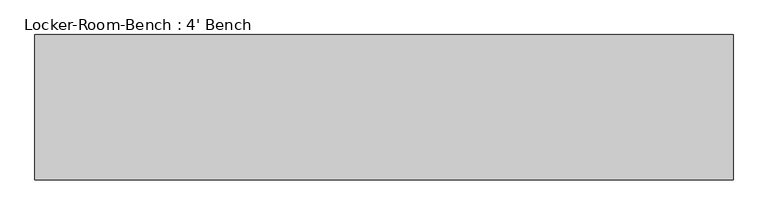
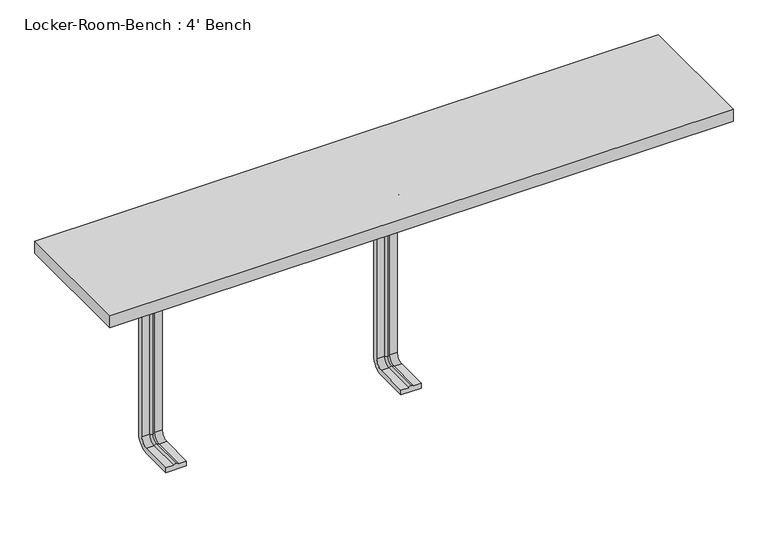
"""IFC4 building model written with IfcOpenShell, lengths in millimetres: furniture geometry, Locker-Room-Bench : 4' Bench."""

import ifcopenshell
import ifcopenshell.guid

model = None  # the IFC model being written
_history = None  # IfcOwnerHistory: only IFC2X3 demands one
_inside = {}  # id of a spatial element -> (the spatial element, [elements in it])
_under = {}  # id of a project, library or spatial element -> (it, [spatial elements below it])
_declared = {}  # id of a project -> (the project, [libraries it declares])
_typed = {}  # id of a type object -> (the type object, [elements of that type])
_made_of = {}  # id of a material, layer set ... -> (it, [elements and type objects made of it])


def new_model(schema):
    """Start an empty IFC model of exactly this schema.

    Asked for "IFC4X3", IfcOpenShell would pick the latest addendum, in which some entities
    have other attributes; the version numbers below select the first issue.
    IFC2X3 requires an IfcOwnerHistory on every rooted entity: one is made here for all.
    """
    global model, _history
    if schema == "IFC4X3":
        model = ifcopenshell.file(schema_version=(4, 3, 0, 0))
    else:
        model = ifcopenshell.file(schema=schema)
    _inside.clear()
    _under.clear()
    _declared.clear()
    _typed.clear()
    _made_of.clear()
    _history = None
    if model.schema == "IFC2X3":
        org = make("IfcOrganization", Name="unknown")
        user = make(
            "IfcPersonAndOrganization",
            ThePerson=make("IfcPerson", FamilyName="unknown"),
            TheOrganization=org,
        )
        app = make(
            "IfcApplication",
            ApplicationDeveloper=org,
            Version="unknown",
            ApplicationFullName="unknown",
            ApplicationIdentifier="unknown",
        )
        _history = make(
            "IfcOwnerHistory",
            OwningUser=user,
            OwningApplication=app,
            ChangeAction="ADDED",
            CreationDate=0,
        )
    return model


def make(cls, **values):
    """One entity of the class cls with the attributes given. An attribute that is None is left unset."""
    return model.create_entity(
        cls, **{name: value for name, value in values.items() if value is not None}
    )


def rooted(cls, **values):
    """An entity with a GlobalId (a new one), such as an element, a storey or a relation."""
    return make(cls, GlobalId=ifcopenshell.guid.new(), OwnerHistory=_history, **values)


def si_unit(unit_type, name, prefix=None):
    """IfcSIUnit, for example si_unit("LENGTHUNIT", "METRE", prefix="MILLI")."""
    return make("IfcSIUnit", UnitType=unit_type, Prefix=prefix, Name=name)


def assignment(units):
    """IfcUnitAssignment: the units of a project."""
    return None if units is None else make("IfcUnitAssignment", Units=units)


def point(xyz):
    """IfcCartesianPoint."""
    return None if xyz is None else make("IfcCartesianPoint", Coordinates=xyz)


def direction(xyz):
    """IfcDirection."""
    return None if xyz is None else make("IfcDirection", DirectionRatios=xyz)


def frame(location, z_axis=None, x_axis=None):
    """IfcAxis2Placement3D, a coordinate frame: its origin and axes. An axis left out is left unset."""
    return make(
        "IfcAxis2Placement3D",
        Location=point(location),
        Axis=direction(z_axis),
        RefDirection=direction(x_axis),
    )


def origin():
    """The frame at (0, 0, 0) with its axes left unset."""
    return frame((0.0, 0.0, 0.0))


def place(relative_to, where):
    """IfcLocalPlacement: puts the frame where relative to a parent placement (None: the world)."""
    return make(
        "IfcLocalPlacement", PlacementRelTo=relative_to, RelativePlacement=where
    )


def context(
    kind, dimensions, precision=None, world=None, true_north=None, identifier=None
):
    """IfcGeometricRepresentationContext, for example the 3D "Model" context."""
    return make(
        "IfcGeometricRepresentationContext",
        ContextIdentifier=identifier,
        ContextType=kind,
        CoordinateSpaceDimension=dimensions,
        Precision=precision,
        WorldCoordinateSystem=world,
        TrueNorth=true_north,
    )


def project(units=None, contexts=None):
    """IfcProject with its units and contexts."""
    return rooted(
        "IfcProject",
        Name="project",
        RepresentationContexts=contexts,
        UnitsInContext=assignment(units),
    )


def spatial(cls, under=None, at=None, **own):
    """A site, building, storey or space (cls), placed at a placement, below another one or the project."""
    s = rooted(cls, ObjectPlacement=at, **own)
    if under is not None:
        _under.setdefault(under.id(), (under, []))[1].append(s)
    return s


def polyline(points):
    """IfcPolyline through the points."""
    return make("IfcPolyline", Points=[point(p) for p in points])


def circle_curve(where, radius):
    """IfcCircle in the frame where."""
    return make("IfcCircle", Position=where, Radius=radius)


def ellipse_curve(where, semi_axis1, semi_axis2):
    """IfcEllipse in the frame where."""
    return make(
        "IfcEllipse", Position=where, SemiAxis1=semi_axis1, SemiAxis2=semi_axis2
    )


def trimmed(basis, trim1, trim2, sense, master):
    """IfcTrimmedCurve: the piece of a basis curve between two trims."""
    return make(
        "IfcTrimmedCurve",
        BasisCurve=basis,
        Trim1=trim1,
        Trim2=trim2,
        SenseAgreement=sense,
        MasterRepresentation=master,
    )


def outline(outer, holes=None, kind="AREA"):
    """IfcArbitraryClosedProfileDef: a profile drawn as a closed curve; with holes, ...WithVoids."""
    if holes is None:
        return make("IfcArbitraryClosedProfileDef", ProfileType=kind, OuterCurve=outer)
    return make(
        "IfcArbitraryProfileDefWithVoids",
        ProfileType=kind,
        OuterCurve=outer,
        InnerCurves=holes,
    )


def extrude(swept, where, along, depth):
    """IfcExtrudedAreaSolid: the profile swept, set in the frame where, extruded along a direction by depth."""
    return make(
        "IfcExtrudedAreaSolid",
        SweptArea=swept,
        Position=where,
        ExtrudedDirection=direction(along),
        Depth=depth,
    )


def shape(context_of_items, identifier, shape_type, items):
    """IfcShapeRepresentation: the items that make up one representation, for example the "Body"."""
    return make(
        "IfcShapeRepresentation",
        ContextOfItems=context_of_items,
        RepresentationIdentifier=identifier,
        RepresentationType=shape_type,
        Items=items,
    )


def source(mapping_origin, context_of_items, identifier, shape_type, items):
    """IfcRepresentationMap: a shape defined once, which mapped items show again and again."""
    return make(
        "IfcRepresentationMap",
        MappingOrigin=mapping_origin,
        MappedRepresentation=shape(context_of_items, identifier, shape_type, items),
    )


def transform(
    local_origin,
    x_axis=None,
    y_axis=None,
    z_axis=None,
    scale=None,
    scale2=None,
    scale3=None,
    uniform=True,
):
    """IfcCartesianTransformationOperator3D, or its non-uniform kind. x_axis, y_axis, z_axis: its Axis1, 2, 3."""
    if uniform:
        return make(
            "IfcCartesianTransformationOperator3D",
            Axis1=direction(x_axis),
            Axis2=direction(y_axis),
            LocalOrigin=point(local_origin),
            Scale=scale,
            Axis3=direction(z_axis),
        )
    return make(
        "IfcCartesianTransformationOperator3DnonUniform",
        Axis1=direction(x_axis),
        Axis2=direction(y_axis),
        LocalOrigin=point(local_origin),
        Scale=scale,
        Axis3=direction(z_axis),
        Scale2=scale2,
        Scale3=scale3,
    )


def mapped(mapping_source, mapping_target):
    """IfcMappedItem: shows the shape of a source again, moved by a transform."""
    return make(
        "IfcMappedItem", MappingSource=mapping_source, MappingTarget=mapping_target
    )


def made_of(thing, what):
    """Note that an element or type object is made of a material, layer set ...; save() writes the relation."""
    if what is not None:
        _made_of.setdefault(what.id(), (what, []))[1].append(thing)
    return thing


def element(
    cls,
    number,
    at=None,
    inside=None,
    cuts=None,
    type_object=None,
    material=None,
    context=None,
    identifier="Body",
    shape_type=None,
    held_by="IfcProductDefinitionShape",
    body=None,
    shapes=None,
    **own,
):
    """One element of the class cls, such as IfcWall. Its Tag is "e" and its number.

    at: its placement. inside: the storey or other place that contains it. cuts: it is an
    opening in that element (IfcRelVoidsElement). A single representation is given by context,
    identifier, shape_type and body (its items); several are given by shapes. held_by: the class
    of the entity that holds the representations. save() writes the other relations.
    """
    e = rooted(cls, Tag="e%d" % number, ObjectPlacement=at, **own)
    if body is not None:
        shapes = [shape(context, identifier, shape_type, body)]
    if shapes is not None:
        e.Representation = make(held_by, Representations=shapes)
    if inside is not None:
        _inside.setdefault(inside.id(), (inside, []))[1].append(e)
    if cuts is not None:
        rooted(
            "IfcRelVoidsElement", RelatingBuildingElement=cuts, RelatedOpeningElement=e
        )
    if type_object is not None:
        _typed.setdefault(type_object.id(), (type_object, []))[1].append(e)
    return made_of(e, material)


def aggregate(whole, parts):
    """IfcRelAggregates: a whole, such as a stair, and the parts it consists of."""
    return rooted("IfcRelAggregates", RelatingObject=whole, RelatedObjects=parts)


def save(model, path):
    """Write the relations noted so far, then the file.

    IfcRelAggregates (storeys below a building ...), IfcRelContainedInSpatialStructure (elements
    in a storey), IfcRelDefinesByType, IfcRelAssociatesMaterial and IfcRelDeclares: one each for
    every whole, place, type object, material and project.
    """
    for whole, parts in _under.values():
        aggregate(whole, parts)
    for where, things in _inside.values():
        rooted(
            "IfcRelContainedInSpatialStructure",
            RelatedElements=things,
            RelatingStructure=where,
        )
    for kind, things in _typed.values():
        rooted("IfcRelDefinesByType", RelatedObjects=things, RelatingType=kind)
    for what, things in _made_of.values():
        rooted("IfcRelAssociatesMaterial", RelatedObjects=things, RelatingMaterial=what)
    for by, libraries in _declared.values():
        rooted("IfcRelDeclares", RelatingContext=by, RelatedDefinitions=libraries)
    model.write(path)


def plane_surface(at):
    """IfcPlane: the flat surface through the origin of the frame at, square to its z axis."""
    return make("IfcPlane", Position=at)


def cylinder_surface(at, radius):
    """IfcCylindricalSurface: all points at the distance radius from the z axis of the frame at."""
    return make("IfcCylindricalSurface", Position=at, Radius=radius)


def revolved_surface(curve, axis_point, axis_direction):
    """IfcSurfaceOfRevolution: the curve turned about the line through axis_point along axis_direction."""
    return make(
        "IfcSurfaceOfRevolution",
        SweptCurve=make("IfcArbitraryOpenProfileDef", ProfileType="CURVE", Curve=curve),
        AxisPosition=make("IfcAxis1Placement", Location=point(axis_point), Axis=direction(axis_direction)),
    )


def advanced_brep(points, edges, surfaces, faces):
    """IfcAdvancedBrep: a solid bounded by faces that lie on surfaces and meet in shared edges.

    An edge is (start, end): straight between two places in points (the first is 0);
    or (start, end, curve); or (start, end, curve, False) where it runs against its curve.
    A face is (place in surfaces, loops), or (place, loops, False) where it looks against
    its surface's normal. A loop lists edges by number (the first is 1), with a minus sign
    where the edge is run from its end to its start. The first loop is the outer one.
    """
    corners = [point(p) for p in points]
    vertices = [make("IfcVertexPoint", VertexGeometry=c) for c in corners]
    made = []
    for start, end, *more in edges:
        made.append(
            make(
                "IfcEdgeCurve",
                EdgeStart=vertices[start],
                EdgeEnd=vertices[end],
                EdgeGeometry=more[0] if more else make("IfcPolyline", Points=[corners[start], corners[end]]),
                SameSense=more[1] if len(more) > 1 else True,
            )
        )
    hull = []
    for where, loops, *sense in faces:
        bounds = []
        for j, loop in enumerate(loops):
            ring = [make("IfcOrientedEdge", EdgeElement=made[abs(k) - 1], Orientation=k > 0) for k in loop]
            bounds.append(
                make(
                    "IfcFaceOuterBound" if j == 0 else "IfcFaceBound",
                    Bound=make("IfcEdgeLoop", EdgeList=ring),
                    Orientation=True,
                )
            )
        hull.append(make("IfcAdvancedFace", Bounds=bounds, FaceSurface=surfaces[where], SameSense=sense[0] if sense else True))
    return make("IfcAdvancedBrep", Outer=make("IfcClosedShell", CfsFaces=hull))


def locker_room_bench_4_bench_20eed866(model_context):
    return source(origin(), model_context, "Body", "SolidModel", [
        advanced_brep(
        [(-439.6, -92.0, 381.4), (-479.6, -92.0, 381.4), (-479.6, -92.0, 371.4), (-464.6, -92.0, 371.4), (-459.6, -92.0, 369.0684617), (-454.6, -92.0, 371.4), (-439.6, -92.0, 371.4), (-439.6, -25.0, 381.4), (-479.6, -25.0, 381.4), (-479.6, 0.0, 356.4), (-479.6, 0.0, 40.0), (-479.6, -25.0, 15.0), (-479.6, -92.0, 15.0), (-479.6, -92.0, 25.0), (-479.6, -25.0, 25.0), (-479.6, -10.0, 40.0), (-479.6, -10.0, 356.4), (-479.6, -25.0, 371.4), (-464.6, -25.0, 371.4), (-459.6, -25.0, 369.0684617), (-454.6, -25.0, 371.4), (-439.6, -25.0, 371.4), (-439.6, -10.0, 356.4), (-439.6, -10.0, 40.0), (-439.6, -25.0, 25.0), (-439.6, -92.0, 25.0), (-439.6, -92.0, 15.0), (-439.6, -25.0, 15.0), (-439.6, 0.0, 40.0), (-439.6, 0.0, 356.4), (-464.6, -10.0, 356.4), (-459.6, -12.3315383, 356.4), (-454.6, -10.0, 356.4), (-464.6, -10.0, 40.0), (-459.6, -12.3315383, 40.0), (-454.6, -10.0, 40.0), (-464.6, -25.0, 25.0), (-459.6, -25.0, 27.3315383), (-454.6, -25.0, 25.0), (-454.6, -92.0, 25.0), (-459.6, -92.0, 27.3315383), (-464.6, -92.0, 25.0)],
        [
            (0, 1),
            (1, 2),
            (2, 3),
            (3, 4, circle_curve(frame((-459.8996409, -92.0, 374.9529162), z_axis=(0.0, -1.0, 0.0), x_axis=(0.0, 0.0, 1.0)), 5.8920785)),
            (4, 5, circle_curve(frame((-459.3003591, -92.0, 374.9529162), z_axis=(0.0, -1.0, 0.0), x_axis=(0.0, 0.0, 1.0)), 5.8920785)),
            (5, 6),
            (6, 0),
            (0, 7),
            (7, 8),
            (8, 1),
            (8, 9, circle_curve(frame((-479.6, -25.0, 356.4), z_axis=(-1.0, 0.0, 0.0), x_axis=(0.0, 0.0, 1.0)), 25.0)),
            (9, 10),
            (10, 11, circle_curve(frame((-479.6, -25.0, 40.0), z_axis=(-1.0, 0.0, 0.0), x_axis=(0.0, 1.0, 0.0)), 25.0)),
            (11, 12),
            (12, 13),
            (13, 14),
            (14, 15, circle_curve(frame((-479.6, -25.0, 40.0), z_axis=(1.0, 0.0, 0.0), x_axis=(0.0, 1.0, 0.0)), 15.0)),
            (15, 16),
            (16, 17, circle_curve(frame((-479.6, -25.0, 356.4), z_axis=(1.0, 0.0, 0.0), x_axis=(0.0, 0.0, 1.0)), 15.0)),
            (17, 2),
            (17, 18),
            (18, 3),
            (18, 19, circle_curve(frame((-459.8996409, -25.0, 374.9529162), z_axis=(0.0, -1.0, 0.0), x_axis=(0.0, 0.0, 1.0)), 5.8920785)),
            (19, 4),
            (19, 20, circle_curve(frame((-459.3003591, -25.0, 374.9529162), z_axis=(0.0, -1.0, 0.0), x_axis=(0.0, 0.0, 1.0)), 5.8920785)),
            (20, 5),
            (20, 21),
            (21, 6),
            (21, 22, circle_curve(frame((-439.6, -25.0, 356.4), z_axis=(-1.0, 0.0, 0.0), x_axis=(0.0, 0.0, 1.0)), 15.0)),
            (22, 23),
            (23, 24, circle_curve(frame((-439.6, -25.0, 40.0), z_axis=(-1.0, 0.0, 0.0), x_axis=(0.0, 1.0, 0.0)), 15.0)),
            (24, 25),
            (25, 26),
            (26, 27),
            (27, 28, circle_curve(frame((-439.6, -25.0, 40.0), z_axis=(1.0, 0.0, 0.0), x_axis=(0.0, 1.0, 0.0)), 25.0)),
            (28, 29),
            (29, 7, circle_curve(frame((-439.6, -25.0, 356.4), z_axis=(1.0, 0.0, 0.0), x_axis=(0.0, 0.0, 1.0)), 25.0)),
            (29, 9),
            (30, 18, circle_curve(frame((-464.6, -25.0, 356.4), z_axis=(1.0, 0.0, 0.0), x_axis=(0.0, 0.0, 1.0)), 15.0)),
            (16, 30),
            (31, 19, circle_curve(frame((-459.6, -25.0, 356.4), z_axis=(1.0, 0.0, 0.0), x_axis=(0.0, 0.0, 1.0)), 12.6684617)),
            (30, 31, circle_curve(frame((-459.8996409, -6.4470838, 356.4), z_axis=(0.0, 0.0, 1.0), x_axis=(0.0, 1.0, 0.0)), 5.8920785)),
            (32, 20, circle_curve(frame((-454.6, -25.0, 356.4), z_axis=(1.0, 0.0, 0.0), x_axis=(0.0, 0.0, 1.0)), 15.0)),
            (31, 32, circle_curve(frame((-459.3003591, -6.4470838, 356.4), z_axis=(0.0, 0.0, 1.0), x_axis=(0.0, 1.0, 0.0)), 5.8920785)),
            (32, 22),
            (28, 10),
            (15, 33),
            (33, 30),
            (33, 34, circle_curve(frame((-459.8996409, -6.4470838, 40.0), z_axis=(0.0, 0.0, 1.0), x_axis=(0.0, 1.0, 0.0)), 5.8920785)),
            (34, 31),
            (34, 35, circle_curve(frame((-459.3003591, -6.4470838, 40.0), z_axis=(0.0, 0.0, 1.0), x_axis=(0.0, 1.0, 0.0)), 5.8920785)),
            (35, 32),
            (35, 23),
            (27, 11),
            (36, 33, circle_curve(frame((-464.6, -25.0, 40.0), z_axis=(1.0, 0.0, 0.0), x_axis=(0.0, 1.0, 0.0)), 15.0)),
            (14, 36),
            (37, 34, circle_curve(frame((-459.6, -25.0, 40.0), z_axis=(1.0, 0.0, 0.0), x_axis=(0.0, 1.0, 0.0)), 12.6684617)),
            (36, 37, circle_curve(frame((-459.8996409, -25.0, 21.4470838), z_axis=(0.0, 1.0, 0.0), x_axis=(0.0, 0.0, -1.0)), 5.8920785)),
            (38, 35, circle_curve(frame((-454.6, -25.0, 40.0), z_axis=(1.0, 0.0, 0.0), x_axis=(0.0, 1.0, 0.0)), 15.0)),
            (37, 38, circle_curve(frame((-459.3003591, -25.0, 21.4470838), z_axis=(0.0, 1.0, 0.0), x_axis=(0.0, 0.0, -1.0)), 5.8920785)),
            (38, 24),
            (25, 39),
            (39, 40, circle_curve(frame((-459.3003591, -92.0, 21.4470838), z_axis=(0.0, -1.0, 0.0), x_axis=(0.0, 0.0, -1.0)), 5.8920785)),
            (40, 41, circle_curve(frame((-459.8996409, -92.0, 21.4470838), z_axis=(0.0, -1.0, 0.0), x_axis=(0.0, 0.0, -1.0)), 5.8920785)),
            (41, 13),
            (12, 26),
            (41, 36),
            (40, 37),
            (39, 38),
        ],
        [
            plane_surface(frame((-459.6, -92.0, 381.4), z_axis=(0.0, -1.0, 0.0), x_axis=(1.0, 0.0, 0.0))),
            plane_surface(frame((-439.6, -92.0, 381.4), z_axis=(0.0, 0.0, 1.0), x_axis=(0.0, 1.0, 0.0))),
            plane_surface(frame((-479.6, -92.0, 381.4), z_axis=(-1.0, 0.0, 0.0), x_axis=(0.0, 1.0, 0.0))),
            plane_surface(frame((-479.6, -92.0, 371.4), z_axis=(0.0, 0.0, -1.0), x_axis=(0.0, 1.0, 0.0))),
            cylinder_surface(frame((-459.8996409, -92.0, 374.9529162), z_axis=(0.0, -1.0, 0.0), x_axis=(0.0, 0.0, 1.0)), 5.8920785),
            cylinder_surface(frame((-459.3003591, -92.0, 374.9529162), z_axis=(0.0, -1.0, 0.0), x_axis=(0.0, 0.0, 1.0)), 5.8920785),
            plane_surface(frame((-454.6, -92.0, 371.4), z_axis=(0.0, 0.0, -1.0), x_axis=(0.0, 1.0, 0.0))),
            plane_surface(frame((-439.6, -92.0, 371.4), z_axis=(1.0, 0.0, 0.0), x_axis=(0.0, 1.0, 0.0))),
            cylinder_surface(frame((-459.6, -25.0, 356.4), z_axis=(-1.0, 0.0, 0.0), x_axis=(0.0, 0.0, 1.0)), 25.0),
            revolved_surface(polyline([(-479.6, -25.0, 371.4), (-464.6, -25.0, 371.4)]), (-459.6, -25.0, 356.4), (-1.0, 0.0, 0.0)),
            revolved_surface(trimmed(ellipse_curve(frame((-459.8996409, -25.0, 374.9529162), z_axis=(0.0, -1.0, 0.0), x_axis=(0.0, 0.0, 1.0)), 5.8920785, 5.8920785), [point((-464.6, -25.0, 371.4))], [point((-459.6, -25.0, 369.0684617))], True, "CARTESIAN"), (-459.6, -25.0, 356.4), (-1.0, 0.0, 0.0)),
            revolved_surface(trimmed(ellipse_curve(frame((-459.3003591, -25.0, 374.9529162), z_axis=(0.0, -1.0, 0.0), x_axis=(0.0, 0.0, 1.0)), 5.8920785, 5.8920785), [point((-459.6, -25.0, 369.0684617))], [point((-454.6, -25.0, 371.4))], True, "CARTESIAN"), (-459.6, -25.0, 356.4), (-1.0, 0.0, 0.0)),
            revolved_surface(polyline([(-454.6, -25.0, 371.4), (-439.6, -25.0, 371.4)]), (-459.6, -25.0, 356.4), (-1.0, 0.0, 0.0)),
            plane_surface(frame((-439.6, 0.0, 356.4), z_axis=(0.0, 1.0, 0.0), x_axis=(0.0, 0.0, -1.0))),
            plane_surface(frame((-479.6, -10.0, 356.4), z_axis=(0.0, -1.0, 0.0), x_axis=(0.0, 0.0, -1.0))),
            cylinder_surface(frame((-459.8996409, -6.4470838, 356.4), z_axis=(0.0, 0.0, 1.0), x_axis=(0.0, 1.0, 0.0)), 5.8920785),
            cylinder_surface(frame((-459.3003591, -6.4470838, 356.4), z_axis=(0.0, 0.0, 1.0), x_axis=(0.0, 1.0, 0.0)), 5.8920785),
            plane_surface(frame((-454.6, -10.0, 356.4), z_axis=(0.0, -1.0, 0.0), x_axis=(0.0, 0.0, -1.0))),
            cylinder_surface(frame((-459.6, -25.0, 40.0), z_axis=(-1.0, 0.0, 0.0), x_axis=(0.0, 1.0, 0.0)), 25.0),
            revolved_surface(polyline([(-479.6, -10.0, 40.0), (-464.6, -10.0, 40.0)]), (-459.6, -25.0, 40.0), (-1.0, 0.0, 0.0)),
            revolved_surface(trimmed(ellipse_curve(frame((-459.8996409, -6.4470838, 40.0), z_axis=(0.0, 0.0, 1.0), x_axis=(0.0, 1.0, 0.0)), 5.8920785, 5.8920785), [point((-464.6, -10.0, 40.0))], [point((-459.6, -12.3315383, 40.0))], True, "CARTESIAN"), (-459.6, -25.0, 40.0), (-1.0, 0.0, 0.0)),
            revolved_surface(trimmed(ellipse_curve(frame((-459.3003591, -6.4470838, 40.0), z_axis=(0.0, 0.0, 1.0), x_axis=(0.0, 1.0, 0.0)), 5.8920785, 5.8920785), [point((-459.6, -12.3315383, 40.0))], [point((-454.6, -10.0, 40.0))], True, "CARTESIAN"), (-459.6, -25.0, 40.0), (-1.0, 0.0, 0.0)),
            revolved_surface(polyline([(-454.6, -10.0, 40.0), (-439.6, -10.0, 40.0)]), (-459.6, -25.0, 40.0), (-1.0, 0.0, 0.0)),
            plane_surface(frame((-459.6, -92.0, 15.0), z_axis=(0.0, -1.0, 0.0), x_axis=(1.0, 0.0, 0.0))),
            plane_surface(frame((-439.6, -25.0, 15.0), z_axis=(0.0, 0.0, -1.0), x_axis=(0.0, -1.0, 0.0))),
            plane_surface(frame((-479.6, -25.0, 25.0), z_axis=(0.0, 0.0, 1.0), x_axis=(0.0, -1.0, 0.0))),
            cylinder_surface(frame((-459.8996409, -25.0, 21.4470838), z_axis=(0.0, 1.0, 0.0), x_axis=(0.0, 0.0, -1.0)), 5.8920785),
            cylinder_surface(frame((-459.3003591, -25.0, 21.4470838), z_axis=(0.0, 1.0, 0.0), x_axis=(0.0, 0.0, -1.0)), 5.8920785),
            plane_surface(frame((-454.6, -25.0, 25.0), z_axis=(0.0, 0.0, 1.0), x_axis=(0.0, -1.0, 0.0))),
        ],
        [
            (0, [[1, 2, 3, 4, 5, 6, 7]]),
            (1, [[-1, 8, 9, 10]]),
            (2, [[-2, -10, 11, 12, 13, 14, 15, 16, 17, 18, 19, 20]]),
            (3, [[-3, -20, 21, 22]]),
            (4, [[-4, -22, 23, 24]]),
            (5, [[-5, -24, 25, 26]]),
            (6, [[-6, -26, 27, 28]]),
            (7, [[-7, -28, 29, 30, 31, 32, 33, 34, 35, 36, 37, -8]]),
            (8, [[-11, -9, -37, 38]]),
            (9, [[39, -21, -19, 40]]),
            (10, [[41, -23, -39, 42]]),
            (11, [[43, -25, -41, 44]]),
            (12, [[-29, -27, -43, 45]]),
            (13, [[-38, -36, 46, -12]]),
            (14, [[-40, -18, 47, 48]]),
            (15, [[-42, -48, 49, 50]]),
            (16, [[-44, -50, 51, 52]]),
            (17, [[-45, -52, 53, -30]]),
            (18, [[-13, -46, -35, 54]]),
            (19, [[55, -47, -17, 56]]),
            (20, [[57, -49, -55, 58]]),
            (21, [[59, -51, -57, 60]]),
            (22, [[-31, -53, -59, 61]]),
            (23, [[-33, 62, 63, 64, 65, -15, 66]]),
            (24, [[-54, -34, -66, -14]]),
            (25, [[-56, -16, -65, 67]]),
            (26, [[-58, -67, -64, 68]]),
            (27, [[-60, -68, -63, 69]]),
            (28, [[-61, -69, -62, -32]]),
        ],
    ),
        advanced_brep(
        [(20.0, -92.0, 381.4), (-20.0, -92.0, 381.4), (-20.0, -92.0, 371.4), (-5.0, -92.0, 371.4), (0.0, -92.0, 369.0684617), (5.0, -92.0, 371.4), (20.0, -92.0, 371.4), (20.0, -25.0, 381.4), (-20.0, -25.0, 381.4), (-20.0, 0.0, 356.4), (-20.0, 0.0, 40.0), (-20.0, -25.0, 15.0), (-20.0, -92.0, 15.0), (-20.0, -92.0, 25.0), (-20.0, -25.0, 25.0), (-20.0, -10.0, 40.0), (-20.0, -10.0, 356.4), (-20.0, -25.0, 371.4), (-5.0, -25.0, 371.4), (0.0, -25.0, 369.0684617), (5.0, -25.0, 371.4), (20.0, -25.0, 371.4), (20.0, -10.0, 356.4), (20.0, -10.0, 40.0), (20.0, -25.0, 25.0), (20.0, -92.0, 25.0), (20.0, -92.0, 15.0), (20.0, -25.0, 15.0), (20.0, 0.0, 40.0), (20.0, 0.0, 356.4), (-5.0, -10.0, 356.4), (0.0, -12.3315383, 356.4), (5.0, -10.0, 356.4), (-5.0, -10.0, 40.0), (0.0, -12.3315383, 40.0), (5.0, -10.0, 40.0), (-5.0, -25.0, 25.0), (0.0, -25.0, 27.3315383), (5.0, -25.0, 25.0), (5.0, -92.0, 25.0), (0.0, -92.0, 27.3315383), (-5.0, -92.0, 25.0)],
        [
            (0, 1),
            (1, 2),
            (2, 3),
            (3, 4, circle_curve(frame((-0.2996409, -92.0, 374.9529162), z_axis=(0.0, -1.0, 0.0), x_axis=(0.0, 0.0, 1.0)), 5.8920785)),
            (4, 5, circle_curve(frame((0.2996409, -92.0, 374.9529162), z_axis=(0.0, -1.0, 0.0), x_axis=(0.0, 0.0, 1.0)), 5.8920785)),
            (5, 6),
            (6, 0),
            (0, 7),
            (7, 8),
            (8, 1),
            (8, 9, circle_curve(frame((-20.0, -25.0, 356.4), z_axis=(-1.0, 0.0, 0.0), x_axis=(0.0, 0.0, 1.0)), 25.0)),
            (9, 10),
            (10, 11, circle_curve(frame((-20.0, -25.0, 40.0), z_axis=(-1.0, 0.0, 0.0), x_axis=(0.0, 1.0, 0.0)), 25.0)),
            (11, 12),
            (12, 13),
            (13, 14),
            (14, 15, circle_curve(frame((-20.0, -25.0, 40.0), z_axis=(1.0, 0.0, 0.0), x_axis=(0.0, 1.0, 0.0)), 15.0)),
            (15, 16),
            (16, 17, circle_curve(frame((-20.0, -25.0, 356.4), z_axis=(1.0, 0.0, 0.0), x_axis=(0.0, 0.0, 1.0)), 15.0)),
            (17, 2),
            (17, 18),
            (18, 3),
            (18, 19, circle_curve(frame((-0.2996409, -25.0, 374.9529162), z_axis=(0.0, -1.0, 0.0), x_axis=(0.0, 0.0, 1.0)), 5.8920785)),
            (19, 4),
            (19, 20, circle_curve(frame((0.2996409, -25.0, 374.9529162), z_axis=(0.0, -1.0, 0.0), x_axis=(0.0, 0.0, 1.0)), 5.8920785)),
            (20, 5),
            (20, 21),
            (21, 6),
            (21, 22, circle_curve(frame((20.0, -25.0, 356.4), z_axis=(-1.0, 0.0, 0.0), x_axis=(0.0, 0.0, 1.0)), 15.0)),
            (22, 23),
            (23, 24, circle_curve(frame((20.0, -25.0, 40.0), z_axis=(-1.0, 0.0, 0.0), x_axis=(0.0, 1.0, 0.0)), 15.0)),
            (24, 25),
            (25, 26),
            (26, 27),
            (27, 28, circle_curve(frame((20.0, -25.0, 40.0), z_axis=(1.0, 0.0, 0.0), x_axis=(0.0, 1.0, 0.0)), 25.0)),
            (28, 29),
            (29, 7, circle_curve(frame((20.0, -25.0, 356.4), z_axis=(1.0, 0.0, 0.0), x_axis=(0.0, 0.0, 1.0)), 25.0)),
            (29, 9),
            (30, 18, circle_curve(frame((-5.0, -25.0, 356.4), z_axis=(1.0, 0.0, 0.0), x_axis=(0.0, 0.0, 1.0)), 15.0)),
            (16, 30),
            (31, 19, circle_curve(frame((0.0, -25.0, 356.4), z_axis=(1.0, 0.0, 0.0), x_axis=(0.0, 0.0, 1.0)), 12.6684617)),
            (30, 31, circle_curve(frame((-0.2996409, -6.4470838, 356.4), z_axis=(0.0, 0.0, 1.0), x_axis=(0.0, 1.0, 0.0)), 5.8920785)),
            (32, 20, circle_curve(frame((5.0, -25.0, 356.4), z_axis=(1.0, 0.0, 0.0), x_axis=(0.0, 0.0, 1.0)), 15.0)),
            (31, 32, circle_curve(frame((0.2996409, -6.4470838, 356.4), z_axis=(0.0, 0.0, 1.0), x_axis=(0.0, 1.0, 0.0)), 5.8920785)),
            (32, 22),
            (28, 10),
            (15, 33),
            (33, 30),
            (33, 34, circle_curve(frame((-0.2996409, -6.4470838, 40.0), z_axis=(0.0, 0.0, 1.0), x_axis=(0.0, 1.0, 0.0)), 5.8920785)),
            (34, 31),
            (34, 35, circle_curve(frame((0.2996409, -6.4470838, 40.0), z_axis=(0.0, 0.0, 1.0), x_axis=(0.0, 1.0, 0.0)), 5.8920785)),
            (35, 32),
            (35, 23),
            (27, 11),
            (36, 33, circle_curve(frame((-5.0, -25.0, 40.0), z_axis=(1.0, 0.0, 0.0), x_axis=(0.0, 1.0, 0.0)), 15.0)),
            (14, 36),
            (37, 34, circle_curve(frame((0.0, -25.0, 40.0), z_axis=(1.0, 0.0, 0.0), x_axis=(0.0, 1.0, 0.0)), 12.6684617)),
            (36, 37, circle_curve(frame((-0.2996409, -25.0, 21.4470838), z_axis=(0.0, 1.0, 0.0), x_axis=(0.0, 0.0, -1.0)), 5.8920785)),
            (38, 35, circle_curve(frame((5.0, -25.0, 40.0), z_axis=(1.0, 0.0, 0.0), x_axis=(0.0, 1.0, 0.0)), 15.0)),
            (37, 38, circle_curve(frame((0.2996409, -25.0, 21.4470838), z_axis=(0.0, 1.0, 0.0), x_axis=(0.0, 0.0, -1.0)), 5.8920785)),
            (38, 24),
            (25, 39),
            (39, 40, circle_curve(frame((0.2996409, -92.0, 21.4470838), z_axis=(0.0, -1.0, 0.0), x_axis=(0.0, 0.0, -1.0)), 5.8920785)),
            (40, 41, circle_curve(frame((-0.2996409, -92.0, 21.4470838), z_axis=(0.0, -1.0, 0.0), x_axis=(0.0, 0.0, -1.0)), 5.8920785)),
            (41, 13),
            (12, 26),
            (41, 36),
            (40, 37),
            (39, 38),
        ],
        [
            plane_surface(frame((0.0, -92.0, 381.4), z_axis=(0.0, -1.0, 0.0), x_axis=(1.0, 0.0, 0.0))),
            plane_surface(frame((20.0, -92.0, 381.4), z_axis=(0.0, 0.0, 1.0), x_axis=(0.0, 1.0, 0.0))),
            plane_surface(frame((-20.0, -92.0, 381.4), z_axis=(-1.0, 0.0, 0.0), x_axis=(0.0, 1.0, 0.0))),
            plane_surface(frame((-20.0, -92.0, 371.4), z_axis=(0.0, 0.0, -1.0), x_axis=(0.0, 1.0, 0.0))),
            cylinder_surface(frame((-0.2996409, -92.0, 374.9529162), z_axis=(0.0, -1.0, 0.0), x_axis=(0.0, 0.0, 1.0)), 5.8920785),
            cylinder_surface(frame((0.2996409, -92.0, 374.9529162), z_axis=(0.0, -1.0, 0.0), x_axis=(0.0, 0.0, 1.0)), 5.8920785),
            plane_surface(frame((5.0, -92.0, 371.4), z_axis=(0.0, 0.0, -1.0), x_axis=(0.0, 1.0, 0.0))),
            plane_surface(frame((20.0, -92.0, 371.4), z_axis=(1.0, 0.0, 0.0), x_axis=(0.0, 1.0, 0.0))),
            cylinder_surface(frame((0.0, -25.0, 356.4), z_axis=(-1.0, 0.0, 0.0), x_axis=(0.0, 0.0, 1.0)), 25.0),
            revolved_surface(polyline([(-20.0, -25.0, 371.4), (-5.0, -25.0, 371.4)]), (0.0, -25.0, 356.4), (-1.0, 0.0, 0.0)),
            revolved_surface(trimmed(ellipse_curve(frame((-0.2996409, -25.0, 374.9529162), z_axis=(0.0, -1.0, 0.0), x_axis=(0.0, 0.0, 1.0)), 5.8920785, 5.8920785), [point((-5.0, -25.0, 371.4))], [point((0.0, -25.0, 369.0684617))], True, "CARTESIAN"), (0.0, -25.0, 356.4), (-1.0, 0.0, 0.0)),
            revolved_surface(trimmed(ellipse_curve(frame((0.2996409, -25.0, 374.9529162), z_axis=(0.0, -1.0, 0.0), x_axis=(0.0, 0.0, 1.0)), 5.8920785, 5.8920785), [point((0.0, -25.0, 369.0684617))], [point((5.0, -25.0, 371.4))], True, "CARTESIAN"), (0.0, -25.0, 356.4), (-1.0, 0.0, 0.0)),
            revolved_surface(polyline([(5.0, -25.0, 371.4), (20.0, -25.0, 371.4)]), (0.0, -25.0, 356.4), (-1.0, 0.0, 0.0)),
            plane_surface(frame((20.0, 0.0, 356.4), z_axis=(0.0, 1.0, 0.0), x_axis=(0.0, 0.0, -1.0))),
            plane_surface(frame((-20.0, -10.0, 356.4), z_axis=(0.0, -1.0, 0.0), x_axis=(0.0, 0.0, -1.0))),
            cylinder_surface(frame((-0.2996409, -6.4470838, 356.4), z_axis=(0.0, 0.0, 1.0), x_axis=(0.0, 1.0, 0.0)), 5.8920785),
            cylinder_surface(frame((0.2996409, -6.4470838, 356.4), z_axis=(0.0, 0.0, 1.0), x_axis=(0.0, 1.0, 0.0)), 5.8920785),
            plane_surface(frame((5.0, -10.0, 356.4), z_axis=(0.0, -1.0, 0.0), x_axis=(0.0, 0.0, -1.0))),
            cylinder_surface(frame((0.0, -25.0, 40.0), z_axis=(-1.0, 0.0, 0.0), x_axis=(0.0, 1.0, 0.0)), 25.0),
            revolved_surface(polyline([(-20.0, -10.0, 40.0), (-5.0, -10.0, 40.0)]), (0.0, -25.0, 40.0), (-1.0, 0.0, 0.0)),
            revolved_surface(trimmed(ellipse_curve(frame((-0.2996409, -6.4470838, 40.0), z_axis=(0.0, 0.0, 1.0), x_axis=(0.0, 1.0, 0.0)), 5.8920785, 5.8920785), [point((-5.0, -10.0, 40.0))], [point((0.0, -12.3315383, 40.0))], True, "CARTESIAN"), (0.0, -25.0, 40.0), (-1.0, 0.0, 0.0)),
            revolved_surface(trimmed(ellipse_curve(frame((0.2996409, -6.4470838, 40.0), z_axis=(0.0, 0.0, 1.0), x_axis=(0.0, 1.0, 0.0)), 5.8920785, 5.8920785), [point((0.0, -12.3315383, 40.0))], [point((5.0, -10.0, 40.0))], True, "CARTESIAN"), (0.0, -25.0, 40.0), (-1.0, 0.0, 0.0)),
            revolved_surface(polyline([(5.0, -10.0, 40.0), (20.0, -10.0, 40.0)]), (0.0, -25.0, 40.0), (-1.0, 0.0, 0.0)),
            plane_surface(frame((0.0, -92.0, 15.0), z_axis=(0.0, -1.0, 0.0), x_axis=(1.0, 0.0, 0.0))),
            plane_surface(frame((20.0, -25.0, 15.0), z_axis=(0.0, 0.0, -1.0), x_axis=(0.0, -1.0, 0.0))),
            plane_surface(frame((-20.0, -25.0, 25.0), z_axis=(0.0, 0.0, 1.0), x_axis=(0.0, -1.0, 0.0))),
            cylinder_surface(frame((-0.2996409, -25.0, 21.4470838), z_axis=(0.0, 1.0, 0.0), x_axis=(0.0, 0.0, -1.0)), 5.8920785),
            cylinder_surface(frame((0.2996409, -25.0, 21.4470838), z_axis=(0.0, 1.0, 0.0), x_axis=(0.0, 0.0, -1.0)), 5.8920785),
            plane_surface(frame((5.0, -25.0, 25.0), z_axis=(0.0, 0.0, 1.0), x_axis=(0.0, -1.0, 0.0))),
        ],
        [
            (0, [[1, 2, 3, 4, 5, 6, 7]]),
            (1, [[-1, 8, 9, 10]]),
            (2, [[-2, -10, 11, 12, 13, 14, 15, 16, 17, 18, 19, 20]]),
            (3, [[-3, -20, 21, 22]]),
            (4, [[-4, -22, 23, 24]]),
            (5, [[-5, -24, 25, 26]]),
            (6, [[-6, -26, 27, 28]]),
            (7, [[-7, -28, 29, 30, 31, 32, 33, 34, 35, 36, 37, -8]]),
            (8, [[-11, -9, -37, 38]]),
            (9, [[39, -21, -19, 40]]),
            (10, [[41, -23, -39, 42]]),
            (11, [[43, -25, -41, 44]]),
            (12, [[-29, -27, -43, 45]]),
            (13, [[-38, -36, 46, -12]]),
            (14, [[-40, -18, 47, 48]]),
            (15, [[-42, -48, 49, 50]]),
            (16, [[-44, -50, 51, 52]]),
            (17, [[-45, -52, 53, -30]]),
            (18, [[-13, -46, -35, 54]]),
            (19, [[55, -47, -17, 56]]),
            (20, [[57, -49, -55, 58]]),
            (21, [[59, -51, -57, 60]]),
            (22, [[-31, -53, -59, 61]]),
            (23, [[-33, 62, 63, 64, 65, -15, 66]]),
            (24, [[-54, -34, -66, -14]]),
            (25, [[-56, -16, -65, 67]]),
            (26, [[-58, -67, -64, 68]]),
            (27, [[-60, -68, -63, 69]]),
            (28, [[-61, -69, -62, -32]]),
        ],
    ),
        extrude(outline(polyline([(609.6, 127.0), (609.6, -127.0), (-609.6, -127.0), (-609.6, 127.0), (609.6, 127.0)])), frame((0.0, 0.0, 381.4), z_axis=(0.0, 0.0, 1.0), x_axis=(1.0, 0.0, 0.0)), (0.0, 0.0, 1.0), 25.0),
    ])


if __name__ == "__main__":
    model = new_model("IFC4")
    model_context = context("Model", 3, world=origin())
    ifc_project = project(units=[si_unit("LENGTHUNIT", "METRE", prefix="MILLI")], contexts=[model_context])
    site = spatial("IfcSite", under=ifc_project)
    building = spatial("IfcBuilding", under=site)
    placement = place(None, origin())
    locker_room_bench_4_bench_shape = locker_room_bench_4_bench_20eed866(model_context)
    element("IfcFurniture", 1, ObjectType="Locker-Room-Bench : 4' Bench", at=placement, inside=building, context=model_context, shape_type="MappedRepresentation", body=[
        mapped(locker_room_bench_4_bench_shape, transform((0.0, 0.0, 0.0), x_axis=(1.0, 0.0, 0.0), y_axis=(0.0, 1.0, 0.0), z_axis=(0.0, 0.0, 1.0))),
    ])
    save(model, "model.ifc")
